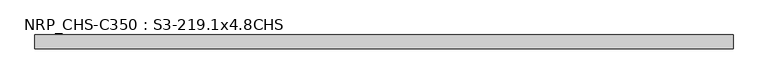
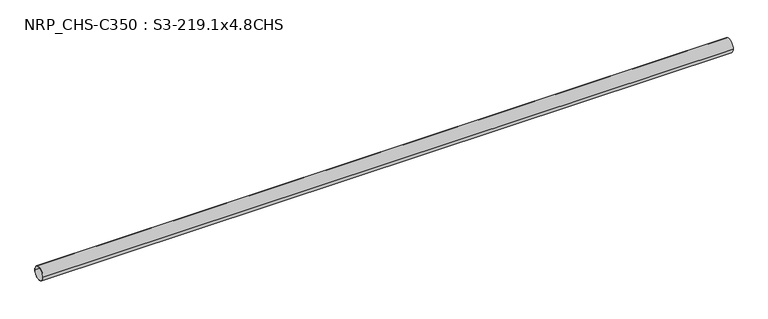
"""IFC4 building model written with IfcOpenShell, lengths in millimetres: beam geometry, NRP_CHS-C350 : S3-219.1x4.8CHS."""

from ifc_helpers import new_model, si_unit, point, frame, origin, origin_2d, place, context, project, spatial, circle_curve, trimmed, segment, composite_curve, outline, extrude, source, transform, mapped, element, save


def nrp_chs_c350_s3_219_1x4_8chs_47cdb991(model_context):
    return source(origin(), model_context, "Body", "SweptSolid", [
        extrude(outline(composite_curve([segment(trimmed(circle_curve(origin_2d(), 109.55), [point((109.55, 0.0))], [point((-109.55, 0.0))], False, "CARTESIAN"), True, "CONTINUOUS"), segment(trimmed(circle_curve(origin_2d(), 109.55), [point((-109.55, 0.0))], [point((109.55, 0.0))], False, "CARTESIAN"), True, "CONTINUOUS")], self_intersect=False), holes=[composite_curve([segment(trimmed(circle_curve(origin_2d(), 104.75), [point((-104.75, 0.0))], [point((104.75, 0.0))], True, "CARTESIAN"), True, "CONTINUOUS"), segment(trimmed(circle_curve(origin_2d(), 104.75), [point((104.75, 0.0))], [point((-104.75, 0.0))], True, "CARTESIAN"), True, "CONTINUOUS")], self_intersect=False)]), frame((-5523.3, 0.0, 0.0), z_axis=(1.0, 0.0, 0.0), x_axis=(0.0, 1.0, 0.0)), (0.0, 0.0, 1.0), 11035.6),
    ])


if __name__ == "__main__":
    model = new_model("IFC4")
    model_context = context("Model", 3, world=origin())
    ifc_project = project(units=[si_unit("LENGTHUNIT", "METRE", prefix="MILLI")], contexts=[model_context])
    site = spatial("IfcSite", under=ifc_project)
    building = spatial("IfcBuilding", under=site)
    placement = place(None, origin())
    nrp_chs_c350_s3_219_1x4_8chs_shape = nrp_chs_c350_s3_219_1x4_8chs_47cdb991(model_context)
    element("IfcBeam", 1, ObjectType="NRP_CHS-C350 : S3-219.1x4.8CHS", at=placement, inside=building, context=model_context, shape_type="MappedRepresentation", body=[
        mapped(nrp_chs_c350_s3_219_1x4_8chs_shape, transform((0.0, 0.0, 0.0), x_axis=(1.0, 0.0, 0.0), y_axis=(0.0, 1.0, 0.0), z_axis=(0.0, 0.0, 1.0))),
    ])
    save(model, "model.ifc")
